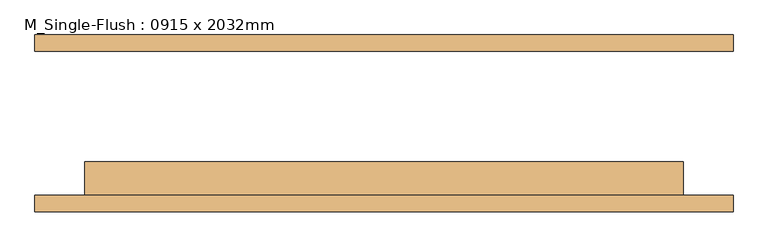
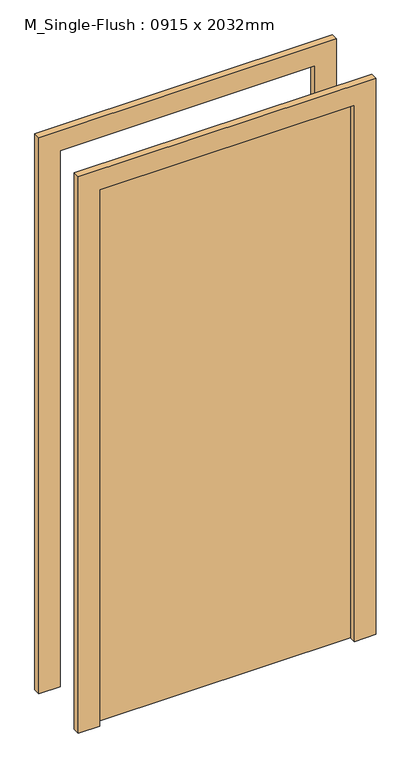
"""IFC4 building model written with IfcOpenShell, lengths in millimetres: door geometry, M_Single-Flush : 0915 x 2032mm."""

import ifcopenshell
import ifcopenshell.guid

model = None  # the IFC model being written
_history = None  # IfcOwnerHistory: only IFC2X3 demands one
_inside = {}  # id of a spatial element -> (the spatial element, [elements in it])
_under = {}  # id of a project, library or spatial element -> (it, [spatial elements below it])
_declared = {}  # id of a project -> (the project, [libraries it declares])
_typed = {}  # id of a type object -> (the type object, [elements of that type])
_made_of = {}  # id of a material, layer set ... -> (it, [elements and type objects made of it])


def new_model(schema):
    """Start an empty IFC model of exactly this schema.

    Asked for "IFC4X3", IfcOpenShell would pick the latest addendum, in which some entities
    have other attributes; the version numbers below select the first issue.
    IFC2X3 requires an IfcOwnerHistory on every rooted entity: one is made here for all.
    """
    global model, _history
    if schema == "IFC4X3":
        model = ifcopenshell.file(schema_version=(4, 3, 0, 0))
    else:
        model = ifcopenshell.file(schema=schema)
    _inside.clear()
    _under.clear()
    _declared.clear()
    _typed.clear()
    _made_of.clear()
    _history = None
    if model.schema == "IFC2X3":
        org = make("IfcOrganization", Name="unknown")
        user = make(
            "IfcPersonAndOrganization",
            ThePerson=make("IfcPerson", FamilyName="unknown"),
            TheOrganization=org,
        )
        app = make(
            "IfcApplication",
            ApplicationDeveloper=org,
            Version="unknown",
            ApplicationFullName="unknown",
            ApplicationIdentifier="unknown",
        )
        _history = make(
            "IfcOwnerHistory",
            OwningUser=user,
            OwningApplication=app,
            ChangeAction="ADDED",
            CreationDate=0,
        )
    return model


def make(cls, **values):
    """One entity of the class cls with the attributes given. An attribute that is None is left unset."""
    return model.create_entity(
        cls, **{name: value for name, value in values.items() if value is not None}
    )


def rooted(cls, **values):
    """An entity with a GlobalId (a new one), such as an element, a storey or a relation."""
    return make(cls, GlobalId=ifcopenshell.guid.new(), OwnerHistory=_history, **values)


def si_unit(unit_type, name, prefix=None):
    """IfcSIUnit, for example si_unit("LENGTHUNIT", "METRE", prefix="MILLI")."""
    return make("IfcSIUnit", UnitType=unit_type, Prefix=prefix, Name=name)


def assignment(units):
    """IfcUnitAssignment: the units of a project."""
    return None if units is None else make("IfcUnitAssignment", Units=units)


def point(xyz):
    """IfcCartesianPoint."""
    return None if xyz is None else make("IfcCartesianPoint", Coordinates=xyz)


def direction(xyz):
    """IfcDirection."""
    return None if xyz is None else make("IfcDirection", DirectionRatios=xyz)


def frame(location, z_axis=None, x_axis=None):
    """IfcAxis2Placement3D, a coordinate frame: its origin and axes. An axis left out is left unset."""
    return make(
        "IfcAxis2Placement3D",
        Location=point(location),
        Axis=direction(z_axis),
        RefDirection=direction(x_axis),
    )


def origin():
    """The frame at (0, 0, 0) with its axes left unset."""
    return frame((0.0, 0.0, 0.0))


def origin_with_axes():
    """The frame at (0, 0, 0) with the z axis (0, 0, 1) and the x axis (1, 0, 0) written out."""
    return frame((0.0, 0.0, 0.0), z_axis=(0.0, 0.0, 1.0), x_axis=(1.0, 0.0, 0.0))


def place(relative_to, where):
    """IfcLocalPlacement: puts the frame where relative to a parent placement (None: the world)."""
    return make(
        "IfcLocalPlacement", PlacementRelTo=relative_to, RelativePlacement=where
    )


def context(
    kind, dimensions, precision=None, world=None, true_north=None, identifier=None
):
    """IfcGeometricRepresentationContext, for example the 3D "Model" context."""
    return make(
        "IfcGeometricRepresentationContext",
        ContextIdentifier=identifier,
        ContextType=kind,
        CoordinateSpaceDimension=dimensions,
        Precision=precision,
        WorldCoordinateSystem=world,
        TrueNorth=true_north,
    )


def project(units=None, contexts=None):
    """IfcProject with its units and contexts."""
    return rooted(
        "IfcProject",
        Name="project",
        RepresentationContexts=contexts,
        UnitsInContext=assignment(units),
    )


def spatial(cls, under=None, at=None, **own):
    """A site, building, storey or space (cls), placed at a placement, below another one or the project."""
    s = rooted(cls, ObjectPlacement=at, **own)
    if under is not None:
        _under.setdefault(under.id(), (under, []))[1].append(s)
    return s


def polyline(points):
    """IfcPolyline through the points."""
    return make("IfcPolyline", Points=[point(p) for p in points])


def outline(outer, holes=None, kind="AREA"):
    """IfcArbitraryClosedProfileDef: a profile drawn as a closed curve; with holes, ...WithVoids."""
    if holes is None:
        return make("IfcArbitraryClosedProfileDef", ProfileType=kind, OuterCurve=outer)
    return make(
        "IfcArbitraryProfileDefWithVoids",
        ProfileType=kind,
        OuterCurve=outer,
        InnerCurves=holes,
    )


def extrude(swept, where, along, depth):
    """IfcExtrudedAreaSolid: the profile swept, set in the frame where, extruded along a direction by depth."""
    return make(
        "IfcExtrudedAreaSolid",
        SweptArea=swept,
        Position=where,
        ExtrudedDirection=direction(along),
        Depth=depth,
    )


def shape(context_of_items, identifier, shape_type, items):
    """IfcShapeRepresentation: the items that make up one representation, for example the "Body"."""
    return make(
        "IfcShapeRepresentation",
        ContextOfItems=context_of_items,
        RepresentationIdentifier=identifier,
        RepresentationType=shape_type,
        Items=items,
    )


def source(mapping_origin, context_of_items, identifier, shape_type, items):
    """IfcRepresentationMap: a shape defined once, which mapped items show again and again."""
    return make(
        "IfcRepresentationMap",
        MappingOrigin=mapping_origin,
        MappedRepresentation=shape(context_of_items, identifier, shape_type, items),
    )


def transform(
    local_origin,
    x_axis=None,
    y_axis=None,
    z_axis=None,
    scale=None,
    scale2=None,
    scale3=None,
    uniform=True,
):
    """IfcCartesianTransformationOperator3D, or its non-uniform kind. x_axis, y_axis, z_axis: its Axis1, 2, 3."""
    if uniform:
        return make(
            "IfcCartesianTransformationOperator3D",
            Axis1=direction(x_axis),
            Axis2=direction(y_axis),
            LocalOrigin=point(local_origin),
            Scale=scale,
            Axis3=direction(z_axis),
        )
    return make(
        "IfcCartesianTransformationOperator3DnonUniform",
        Axis1=direction(x_axis),
        Axis2=direction(y_axis),
        LocalOrigin=point(local_origin),
        Scale=scale,
        Axis3=direction(z_axis),
        Scale2=scale2,
        Scale3=scale3,
    )


def mapped(mapping_source, mapping_target):
    """IfcMappedItem: shows the shape of a source again, moved by a transform."""
    return make(
        "IfcMappedItem", MappingSource=mapping_source, MappingTarget=mapping_target
    )


def made_of(thing, what):
    """Note that an element or type object is made of a material, layer set ...; save() writes the relation."""
    if what is not None:
        _made_of.setdefault(what.id(), (what, []))[1].append(thing)
    return thing


def element(
    cls,
    number,
    at=None,
    inside=None,
    cuts=None,
    type_object=None,
    material=None,
    context=None,
    identifier="Body",
    shape_type=None,
    held_by="IfcProductDefinitionShape",
    body=None,
    shapes=None,
    **own,
):
    """One element of the class cls, such as IfcWall. Its Tag is "e" and its number.

    at: its placement. inside: the storey or other place that contains it. cuts: it is an
    opening in that element (IfcRelVoidsElement). A single representation is given by context,
    identifier, shape_type and body (its items); several are given by shapes. held_by: the class
    of the entity that holds the representations. save() writes the other relations.
    """
    e = rooted(cls, Tag="e%d" % number, ObjectPlacement=at, **own)
    if body is not None:
        shapes = [shape(context, identifier, shape_type, body)]
    if shapes is not None:
        e.Representation = make(held_by, Representations=shapes)
    if inside is not None:
        _inside.setdefault(inside.id(), (inside, []))[1].append(e)
    if cuts is not None:
        rooted(
            "IfcRelVoidsElement", RelatingBuildingElement=cuts, RelatedOpeningElement=e
        )
    if type_object is not None:
        _typed.setdefault(type_object.id(), (type_object, []))[1].append(e)
    return made_of(e, material)


def aggregate(whole, parts):
    """IfcRelAggregates: a whole, such as a stair, and the parts it consists of."""
    return rooted("IfcRelAggregates", RelatingObject=whole, RelatedObjects=parts)


def save(model, path):
    """Write the relations noted so far, then the file.

    IfcRelAggregates (storeys below a building ...), IfcRelContainedInSpatialStructure (elements
    in a storey), IfcRelDefinesByType, IfcRelAssociatesMaterial and IfcRelDeclares: one each for
    every whole, place, type object, material and project.
    """
    for whole, parts in _under.values():
        aggregate(whole, parts)
    for where, things in _inside.values():
        rooted(
            "IfcRelContainedInSpatialStructure",
            RelatedElements=things,
            RelatingStructure=where,
        )
    for kind, things in _typed.values():
        rooted("IfcRelDefinesByType", RelatedObjects=things, RelatingType=kind)
    for what, things in _made_of.values():
        rooted("IfcRelAssociatesMaterial", RelatedObjects=things, RelatingMaterial=what)
    for by, libraries in _declared.values():
        rooted("IfcRelDeclares", RelatingContext=by, RelatedDefinitions=libraries)
    model.write(path)


def m_single_flush_0915_x_2032mm_40963596(model_context):
    return source(origin(), model_context, "Body", "SweptSolid", [
        extrude(outline(polyline([(2108.0, -533.5), (0.0, -533.5), (0.0, -457.5), (2032.0, -457.5), (2032.0, 457.5), (0.0, 457.5), (0.0, 533.5), (2108.0, 533.5), (2108.0, -533.5)])), frame((0.0, -135.0, 0.0), z_axis=(0.0, 1.0, 0.0), x_axis=(0.0, 0.0, 1.0)), (0.0, 0.0, 1.0), 25.0),
        extrude(outline(polyline([(2108.0, 533.5), (2108.0, -533.5), (0.0, -533.5), (0.0, -457.5), (2032.0, -457.5), (2032.0, 457.5), (0.0, 457.5), (0.0, 533.5), (2108.0, 533.5)])), frame((0.0, 110.0, 0.0), z_axis=(0.0, 1.0, 0.0), x_axis=(0.0, 0.0, 1.0)), (0.0, 0.0, 1.0), 25.0),
        extrude(outline(polyline([(457.5, -59.0), (457.5, -110.0), (-457.5, -110.0), (-457.5, -59.0), (457.5, -59.0)])), origin_with_axes(), (0.0, 0.0, 1.0), 2032.0),
    ])


if __name__ == "__main__":
    model = new_model("IFC4")
    model_context = context("Model", 3, world=origin())
    ifc_project = project(units=[si_unit("LENGTHUNIT", "METRE", prefix="MILLI")], contexts=[model_context])
    site = spatial("IfcSite", under=ifc_project)
    building = spatial("IfcBuilding", under=site)
    placement = place(None, origin())
    m_single_flush_0915_x_2032mm_shape = m_single_flush_0915_x_2032mm_40963596(model_context)
    element("IfcDoor", 1, ObjectType="M_Single-Flush : 0915 x 2032mm", at=placement, inside=building, context=model_context, shape_type="MappedRepresentation", body=[
        mapped(m_single_flush_0915_x_2032mm_shape, transform((0.0, 0.0, 0.0), x_axis=(1.0, 0.0, 0.0), y_axis=(0.0, 1.0, 0.0), z_axis=(0.0, 0.0, 1.0))),
    ])
    save(model, "model.ifc")
